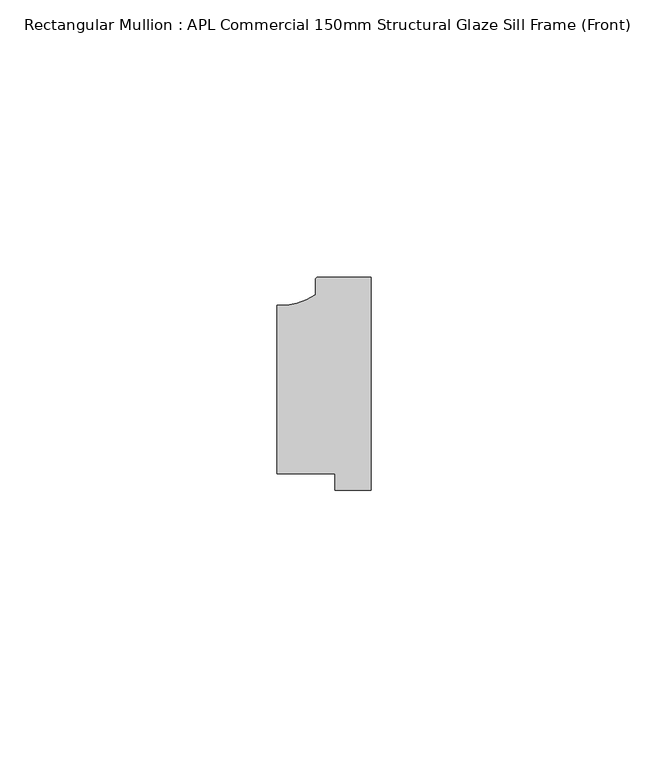
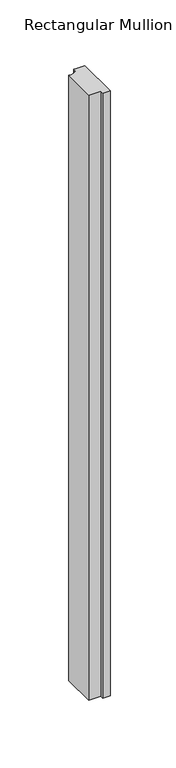
"""IFC4 building model written with IfcOpenShell, lengths in millimetres: member geometry, Rectangular Mullion : APL Commercial 150mm Structural Glaze Sill Frame (Front)."""

from ifc_helpers import new_model, si_unit, point, frame, frame_2d, origin, place, context, project, spatial, polyline, circle_curve, trimmed, segment, composite_curve, outline, extrude, source, transform, mapped, element, save


def rectangular_mullion_apl_commercial_150mm_structural_glaze_5399432e(model_context):
    return source(origin(), model_context, "Body", "SweptSolid", [
        extrude(outline(composite_curve([segment(trimmed(circle_curve(frame_2d((-16.1098048, 25.7977481)), 10.4563907), [point((-16.999942, 15.3793144))], [point((-10.0, 17.3120901))], True, "CARTESIAN"), True, "CONTINUOUS"), segment(polyline([(-10.0, 17.3120901), (-10.0, 19.9980675)]), True, "CONTINUOUS"), segment(trimmed(circle_curve(frame_2d((-9.5000029, 19.99978)), 0.5), [point((-10.0, 19.9980675))], [point((-9.5000029, 20.49978))], False, "CARTESIAN"), True, "CONTINUOUS"), segment(polyline([(-9.5000029, 20.49978), (0.0, 20.49978), (0.0, -18.0281616), (-6.5000029, -18.0281616), (-6.5000029, -15.0004332), (-16.999942, -15.0004332), (-16.999942, 15.3793144)]), True, "CONTINUOUS")], self_intersect=False)), frame((0.0, 0.0, -562.8786478), z_axis=(0.0, 0.0, 1.0), x_axis=(1.0, 0.0, 0.0)), (0.0, 0.0, 1.0), 562.8786478),
    ])


if __name__ == "__main__":
    model = new_model("IFC4")
    model_context = context("Model", 3, world=origin())
    ifc_project = project(units=[si_unit("LENGTHUNIT", "METRE", prefix="MILLI")], contexts=[model_context])
    site = spatial("IfcSite", under=ifc_project)
    building = spatial("IfcBuilding", under=site)
    placement = place(None, origin())
    rectangular_mullion_apl_commercial_150mm_structural_glaze_shape = rectangular_mullion_apl_commercial_150mm_structural_glaze_5399432e(model_context)
    element("IfcMember", 1, ObjectType="Rectangular Mullion : APL Commercial 150mm Structural Glaze Sill Frame (Front)", at=placement, inside=building, context=model_context, shape_type="MappedRepresentation", body=[
        mapped(rectangular_mullion_apl_commercial_150mm_structural_glaze_shape, transform((0.0, 0.0, 0.0), x_axis=(1.0, 0.0, 0.0), y_axis=(0.0, 1.0, 0.0), z_axis=(0.0, 0.0, 1.0))),
    ])
    save(model, "model.ifc")
